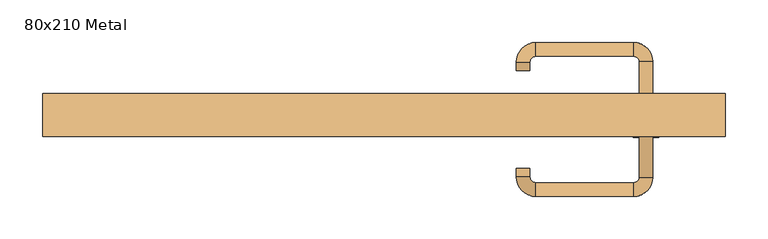
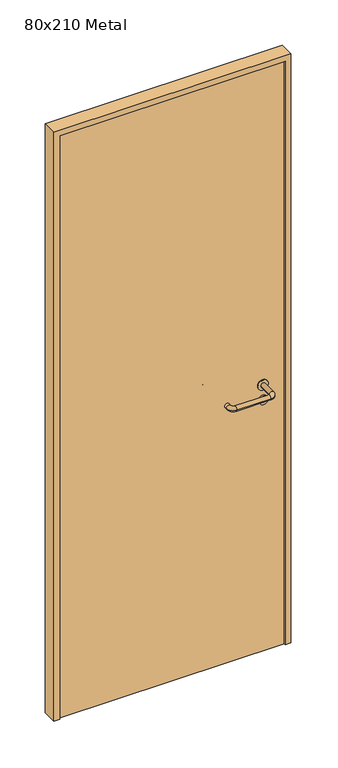
"""IFC4 building model written with IfcOpenShell, lengths in millimetres: door geometry, 80x210 Metal."""

from ifc_helpers import new_model, si_unit, point, frame, frame_2d, origin, origin_with_axes, place, context, project, spatial, polyline, circle_curve, ellipse_curve, trimmed, segment, composite_curve, outline, extrude, source, transform, mapped, element, save
from ifc_brep_helpers import plane_surface, cylinder_surface, revolved_surface, advanced_brep


def door_80x210_metal_20063681(model_context):
    return source(origin(), model_context, "Body", "SolidModel", [
        extrude(outline(composite_curve([segment(trimmed(circle_curve(frame_2d((897.3605726, 307.0)), 15.0), [point((897.3605726, 322.0))], [point((897.3605726, 292.0))], False, "CARTESIAN"), True, "CONTINUOUS"), segment(trimmed(circle_curve(frame_2d((897.3605726, 307.0)), 15.0), [point((897.3605726, 292.0))], [point((897.3605726, 322.0))], False, "CARTESIAN"), True, "CONTINUOUS")], self_intersect=False), holes=[composite_curve([segment(trimmed(circle_curve(frame_2d((892.5833211, 306.9398032)), 2.0), [point((892.5833211, 308.9398032))], [point((892.5833211, 304.9398032))], True, "CARTESIAN"), True, "CONTINUOUS"), segment(polyline([(892.5833211, 304.9398032), (902.5833211, 304.9398032)]), True, "CONTINUOUS"), segment(trimmed(circle_curve(frame_2d((902.5833211, 306.9398032)), 2.0), [point((902.5833211, 304.9398032))], [point((902.5833211, 308.9398032))], True, "CARTESIAN"), True, "CONTINUOUS"), segment(polyline([(902.5833211, 308.9398032), (892.5833211, 308.9398032)]), True, "CONTINUOUS")], self_intersect=False)]), frame((0.0, 5.0, 0.0), z_axis=(0.0, 1.0, 0.0), x_axis=(0.0, 0.0, 1.0)), (0.0, 0.0, 1.0), 6.35),
        extrude(outline(composite_curve([segment(trimmed(circle_curve(frame_2d((950.0, 307.0)), 17.526), [point((950.0, 324.526))], [point((950.0, 289.474))], False, "CARTESIAN"), True, "CONTINUOUS"), segment(trimmed(circle_curve(frame_2d((950.0, 307.0)), 17.526), [point((950.0, 289.474))], [point((950.0, 324.526))], False, "CARTESIAN"), True, "CONTINUOUS")], self_intersect=False)), frame((0.0, 5.0, 0.0), z_axis=(0.0, 1.0, 0.0), x_axis=(0.0, 0.0, 1.0)), (0.0, 0.0, 1.0), 3.175),
        advanced_brep(
        [(315.0, 5.0, 950.0), (299.0, 5.0, 950.0), (315.0, 58.0, 950.0), (299.0, 58.0, 950.0), (292.8578644, 64.1421356, 950.0), (292.8578644, 80.1421356, 950.0), (177.8578644, 80.1421356, 950.0), (177.8578644, 64.1421356, 950.0), (171.008622, 57.2928932, 950.0), (155.008622, 57.2928932, 950.0), (155.008622, 47.2928932, 950.0), (171.008622, 47.2928932, 950.0)],
        [
            (0, 1, circle_curve(frame((307.0, 5.0, 950.0), z_axis=(0.0, -1.0, 0.0), x_axis=(-1.0, 0.0, 0.0)), 8.0)),
            (1, 0, circle_curve(frame((307.0, 5.0, 950.0), z_axis=(0.0, -1.0, 0.0), x_axis=(-1.0, 0.0, 0.0)), 8.0)),
            (0, 2),
            (2, 3, circle_curve(frame((307.0, 58.0, 950.0), z_axis=(0.0, -1.0, 0.0), x_axis=(-1.0, 0.0, 0.0)), 8.0)),
            (3, 1),
            (3, 2, circle_curve(frame((307.0, 58.0, 950.0), z_axis=(0.0, -1.0, 0.0), x_axis=(-1.0, 0.0, 0.0)), 8.0)),
            (4, 3, circle_curve(frame((292.8578644, 58.0, 950.0), z_axis=(0.0, 0.0, -1.0), x_axis=(1.0, 0.0, 0.0)), 6.1421356)),
            (2, 5, circle_curve(frame((292.8578644, 58.0, 950.0), z_axis=(0.0, 0.0, 1.0), x_axis=(1.0, 0.0, 0.0)), 22.1421356)),
            (5, 4, circle_curve(frame((292.8578644, 72.1421356, 950.0), z_axis=(1.0, 0.0, 0.0), x_axis=(0.0, -1.0, 0.0)), 8.0)),
            (4, 5, circle_curve(frame((292.8578644, 72.1421356, 950.0), z_axis=(1.0, 0.0, 0.0), x_axis=(0.0, -1.0, 0.0)), 8.0)),
            (5, 6),
            (6, 7, circle_curve(frame((177.8578644, 72.1421356, 950.0), z_axis=(1.0, 0.0, 0.0), x_axis=(0.0, -1.0, 0.0)), 8.0)),
            (7, 4),
            (7, 6, circle_curve(frame((177.8578644, 72.1421356, 950.0), z_axis=(1.0, 0.0, 0.0), x_axis=(0.0, -1.0, 0.0)), 8.0)),
            (8, 7, circle_curve(frame((177.8578644, 57.2928932, 950.0), z_axis=(0.0, 0.0, -1.0), x_axis=(0.0, 1.0, 0.0)), 6.8492424)),
            (6, 9, circle_curve(frame((177.8578644, 57.2928932, 950.0), z_axis=(0.0, 0.0, 1.0), x_axis=(0.0, 1.0, 0.0)), 22.8492424)),
            (9, 8, circle_curve(frame((163.008622, 57.2928932, 950.0), z_axis=(0.0, 1.0, 0.0), x_axis=(1.0, 0.0, 0.0)), 8.0)),
            (8, 9, circle_curve(frame((163.008622, 57.2928932, 950.0), z_axis=(0.0, 1.0, 0.0), x_axis=(1.0, 0.0, 0.0)), 8.0)),
            (10, 11, circle_curve(frame((163.008622, 47.2928932, 950.0), z_axis=(0.0, -1.0, 0.0), x_axis=(1.0, 0.0, 0.0)), 8.0)),
            (11, 10, circle_curve(frame((163.008622, 47.2928932, 950.0), z_axis=(0.0, -1.0, 0.0), x_axis=(1.0, 0.0, 0.0)), 8.0)),
            (9, 10),
            (11, 8),
        ],
        [
            plane_surface(frame((307.0, 5.0, 0.0), z_axis=(0.0, -1.0, 0.0), x_axis=(0.0, 0.0, 1.0))),
            cylinder_surface(frame((307.0, 5.0, 950.0), z_axis=(0.0, -1.0, 0.0), x_axis=(-1.0, 0.0, 0.0)), 8.0),
            revolved_surface(trimmed(ellipse_curve(frame((307.0, 58.0, 950.0), z_axis=(0.0, -1.0, 0.0), x_axis=(-1.0, 0.0, 0.0)), 8.0, 8.0), [point((315.0, 58.0, 950.0))], [point((299.0, 58.0, 950.0))], True, "CARTESIAN"), (292.8578644, 58.0, 0.0), (0.0, 0.0, 1.0)),
            revolved_surface(trimmed(ellipse_curve(frame((307.0, 58.0, 950.0), z_axis=(0.0, -1.0, 0.0), x_axis=(-1.0, 0.0, 0.0)), 8.0, 8.0), [point((299.0, 58.0, 950.0))], [point((315.0, 58.0, 950.0))], True, "CARTESIAN"), (292.8578644, 58.0, 0.0), (0.0, 0.0, 1.0)),
            cylinder_surface(frame((292.8578644, 72.1421356, 950.0), z_axis=(1.0, 0.0, 0.0), x_axis=(0.0, -1.0, 0.0)), 8.0),
            revolved_surface(trimmed(ellipse_curve(frame((177.8578644, 72.1421356, 950.0), z_axis=(1.0, 0.0, 0.0), x_axis=(0.0, -1.0, 0.0)), 8.0, 8.0), [point((177.8578644, 80.1421356, 950.0))], [point((177.8578644, 64.1421356, 950.0))], True, "CARTESIAN"), (177.8578644, 57.2928932, 0.0), (0.0, 0.0, 1.0)),
            revolved_surface(trimmed(ellipse_curve(frame((177.8578644, 72.1421356, 950.0), z_axis=(1.0, 0.0, 0.0), x_axis=(0.0, -1.0, 0.0)), 8.0, 8.0), [point((177.8578644, 64.1421356, 950.0))], [point((177.8578644, 80.1421356, 950.0))], True, "CARTESIAN"), (177.8578644, 57.2928932, 0.0), (0.0, 0.0, 1.0)),
            plane_surface(frame((163.008622, 47.2928932, 0.0), z_axis=(0.0, -1.0, 0.0), x_axis=(0.0, 0.0, 1.0))),
            cylinder_surface(frame((163.008622, 57.2928932, 950.0), z_axis=(0.0, 1.0, 0.0), x_axis=(1.0, 0.0, 0.0)), 8.0),
        ],
        [
            (0, [[1, 2]]),
            (1, [[-1, 3, 4, 5]]),
            (1, [[-2, -5, 6, -3]]),
            (2, [[7, -4, 8, 9]]),
            (3, [[-8, -6, -7, 10]]),
            (4, [[-9, 11, 12, 13]]),
            (4, [[-10, -13, 14, -11]]),
            (5, [[15, -12, 16, 17]]),
            (6, [[-16, -14, -15, 18]]),
            (7, [[19, 20]]),
            (8, [[-17, 21, -20, 22]]),
            (8, [[-18, -22, -19, -21]]),
        ],
    ),
        extrude(outline(composite_curve([segment(trimmed(circle_curve(frame_2d((0.0, 15.0)), 15.0), [point((0.0, 30.0))], [point((0.0, 0.0))], False, "CARTESIAN"), True, "CONTINUOUS"), segment(trimmed(circle_curve(frame_2d((0.0, 15.0)), 15.0), [point((0.0, 0.0))], [point((0.0, 30.0))], False, "CARTESIAN"), True, "CONTINUOUS")], self_intersect=False), holes=[composite_curve([segment(trimmed(circle_curve(frame_2d((-4.7772515, 14.9398032)), 2.0), [point((-4.7772515, 16.9398032))], [point((-4.7772515, 12.9398032))], True, "CARTESIAN"), True, "CONTINUOUS"), segment(polyline([(-4.7772515, 12.9398032), (5.2227485, 12.9398032)]), True, "CONTINUOUS"), segment(trimmed(circle_curve(frame_2d((5.2227485, 14.9398032)), 2.0), [point((5.2227485, 12.9398032))], [point((5.2227485, 16.9398032))], True, "CARTESIAN"), True, "CONTINUOUS"), segment(polyline([(5.2227485, 16.9398032), (-4.7772515, 16.9398032)]), True, "CONTINUOUS")], self_intersect=False)]), frame((292.0, -31.35, 897.3605726), z_axis=(-1.8870575173328306e-12, 1.0, 0.0), x_axis=(0.0, 0.0, 1.0)), (0.0, 0.0, 1.0), 6.35),
        extrude(outline(composite_curve([segment(trimmed(circle_curve(frame_2d((0.0, 17.526)), 17.526), [point((0.0, 35.052))], [point((0.0, 0.0))], False, "CARTESIAN"), True, "CONTINUOUS"), segment(trimmed(circle_curve(frame_2d((0.0, 17.526)), 17.526), [point((0.0, 0.0))], [point((0.0, 35.052))], False, "CARTESIAN"), True, "CONTINUOUS")], self_intersect=False)), frame((289.474, -28.175, 950.0), z_axis=(-1.8870575173328306e-12, 1.0, 0.0), x_axis=(0.0, 0.0, 1.0)), (0.0, 0.0, 1.0), 3.175),
        advanced_brep(
        [(315.0, -25.0, 950.0), (299.0, -25.0, 950.0), (299.0, -78.0, 950.0), (315.0, -78.0, 950.0), (292.8578644, -84.1421356, 950.0), (292.8578644, -100.1421356, 950.0), (177.8578644, -84.1421356, 950.0), (177.8578644, -100.1421356, 950.0), (171.008622, -77.2928932, 950.0), (155.008622, -77.2928932, 950.0), (155.008622, -67.2928932, 950.0), (171.008622, -67.2928932, 950.0)],
        [
            (0, 1, circle_curve(frame((307.0, -25.0, 950.0), z_axis=(-1.888672253512351e-12, 1.0, 0.0), x_axis=(-1.0, -1.888672253512351e-12, 0.0)), 8.0)),
            (1, 0, circle_curve(frame((307.0, -25.0, 950.0), z_axis=(-1.888672253512351e-12, 1.0, 0.0), x_axis=(-1.0, -1.888672253512351e-12, 0.0)), 8.0)),
            (1, 2),
            (2, 3, circle_curve(frame((307.0, -78.0, 950.0), z_axis=(-1.888672253512351e-12, 1.0, 0.0), x_axis=(-1.0, -1.888672253512351e-12, 0.0)), 8.0)),
            (3, 0),
            (3, 2, circle_curve(frame((307.0, -78.0, 950.0), z_axis=(-1.888672253512351e-12, 1.0, 0.0), x_axis=(-1.0, -1.888672253512351e-12, 0.0)), 8.0)),
            (4, 5, circle_curve(frame((292.8578644, -92.1421356, 950.0), z_axis=(1.0, 1.913702061528922e-12, 0.0), x_axis=(-1.913702061528922e-12, 1.0, 0.0)), 8.0)),
            (5, 3, circle_curve(frame((292.8578644, -78.0, 950.0), z_axis=(0.0, 0.0, 1.0), x_axis=(1.0, 1.880717803715015e-12, 0.0)), 22.1421356)),
            (2, 4, circle_curve(frame((292.8578644, -78.0, 950.0), z_axis=(0.0, 0.0, -1.0), x_axis=(1.0, 1.880717803715015e-12, 0.0)), 6.1421356)),
            (5, 4, circle_curve(frame((292.8578644, -92.1421356, 950.0), z_axis=(1.0, 1.913702061528922e-12, 0.0), x_axis=(-1.913702061528922e-12, 1.0, 0.0)), 8.0)),
            (4, 6),
            (6, 7, circle_curve(frame((177.8578644, -92.1421356, 950.0), z_axis=(1.0, 1.913719828541269e-12, 0.0), x_axis=(-1.913719828541269e-12, 1.0, 0.0)), 8.0)),
            (7, 5),
            (7, 6, circle_curve(frame((177.8578644, -92.1421356, 950.0), z_axis=(1.0, 1.913719828541269e-12, 0.0), x_axis=(-1.913719828541269e-12, 1.0, 0.0)), 8.0)),
            (8, 9, circle_curve(frame((163.008622, -77.2928932, 950.0), z_axis=(1.8888942981172756e-12, -1.0, 0.0), x_axis=(1.0, 1.8888942981172756e-12, 0.0)), 8.0)),
            (9, 7, circle_curve(frame((177.8578644, -77.2928932, 950.0), z_axis=(0.0, 0.0, 1.0), x_axis=(1.9120873253494017e-12, -1.0, 0.0)), 22.8492424)),
            (6, 8, circle_curve(frame((177.8578644, -77.2928932, 950.0), z_axis=(0.0, 0.0, -1.0), x_axis=(1.9120873253494017e-12, -1.0, 0.0)), 6.8492424)),
            (9, 8, circle_curve(frame((163.008622, -77.2928932, 950.0), z_axis=(1.890448610351751e-12, -1.0, 0.0), x_axis=(1.0, 1.890448610351751e-12, 0.0)), 8.0)),
            (10, 11, circle_curve(frame((163.008622, -67.2928932, 950.0), z_axis=(-1.8903642334018795e-12, 1.0, 0.0), x_axis=(1.0, 1.8903642334018795e-12, 0.0)), 8.0)),
            (11, 10, circle_curve(frame((163.008622, -67.2928932, 950.0), z_axis=(-1.8903642334018795e-12, 1.0, 0.0), x_axis=(1.0, 1.8903642334018795e-12, 0.0)), 8.0)),
            (8, 11),
            (10, 9),
        ],
        [
            plane_surface(frame((307.0, -25.0, 0.0), z_axis=(-1.8870575173328306e-12, 1.0, 0.0), x_axis=(0.0, 0.0, 1.0))),
            cylinder_surface(frame((307.0, -25.0, 950.0), z_axis=(-1.888672253512351e-12, 1.0, 0.0), x_axis=(-1.0, -1.888672253512351e-12, 0.0)), 8.0),
            revolved_surface(trimmed(ellipse_curve(frame((307.0, -78.0, 950.0), z_axis=(1.8823325398945356e-12, -1.0, 0.0), x_axis=(-1.0, -1.8823325398945356e-12, 0.0)), 8.0, 8.0), [point((315.0, -78.0, 950.0))], [point((299.0, -78.0, 950.0))], True, "CARTESIAN"), (292.8578644, -78.0, 0.0), (0.0, 0.0, 1.0)),
            revolved_surface(trimmed(ellipse_curve(frame((307.0, -78.0, 950.0), z_axis=(1.8823325398945356e-12, -1.0, 0.0), x_axis=(-1.0, -1.8823325398945356e-12, 0.0)), 8.0, 8.0), [point((299.0, -78.0, 950.0))], [point((315.0, -78.0, 950.0))], True, "CARTESIAN"), (292.8578644, -78.0, 0.0), (0.0, 0.0, 1.0)),
            cylinder_surface(frame((292.8578644, -92.1421356, 950.0), z_axis=(1.0, 1.913719828541269e-12, 0.0), x_axis=(-1.913719828541269e-12, 1.0, 0.0)), 8.0),
            revolved_surface(trimmed(ellipse_curve(frame((177.8578644, -92.1421356, 950.0), z_axis=(-1.0, -1.913702061528922e-12, 0.0), x_axis=(-1.913702061528922e-12, 1.0, 0.0)), 8.0, 8.0), [point((177.8578644, -100.1421356, 950.0))], [point((177.8578644, -84.1421356, 950.0))], True, "CARTESIAN"), (177.8578644, -77.2928932, 0.0), (0.0, 0.0, 1.0)),
            revolved_surface(trimmed(ellipse_curve(frame((177.8578644, -92.1421356, 950.0), z_axis=(-1.0, -1.913702061528922e-12, 0.0), x_axis=(-1.913702061528922e-12, 1.0, 0.0)), 8.0, 8.0), [point((177.8578644, -84.1421356, 950.0))], [point((177.8578644, -100.1421356, 950.0))], True, "CARTESIAN"), (177.8578644, -77.2928932, 0.0), (0.0, 0.0, 1.0)),
            plane_surface(frame((163.008622, -67.2928932, 0.0), z_axis=(-1.8887494972223595e-12, 1.0, 0.0), x_axis=(0.0, 0.0, 1.0))),
            cylinder_surface(frame((163.008622, -77.2928932, 950.0), z_axis=(1.8903642334018795e-12, -1.0, 0.0), x_axis=(1.0, 1.8903642334018795e-12, 0.0)), 8.0),
        ],
        [
            (0, [[1, 2]]),
            (1, [[3, 4, 5, -2]]),
            (1, [[-5, 6, -3, -1]]),
            (2, [[7, 8, -4, 9]]),
            (3, [[10, -9, -6, -8]]),
            (4, [[11, 12, 13, -7]]),
            (4, [[-13, 14, -11, -10]]),
            (5, [[15, 16, -12, 17]]),
            (6, [[18, -17, -14, -16]]),
            (7, [[19, 20]]),
            (8, [[21, -19, 22, -15]]),
            (8, [[-22, -20, -21, -18]]),
        ],
    ),
        extrude(outline(polyline([(2080.0, 380.0), (0.0, 380.0), (0.0, 400.0), (2100.0, 400.0), (2100.0, -400.0), (0.0, -400.0), (0.0, -380.0), (2080.0, -380.0), (2080.0, 380.0)])), frame((0.0, -30.0, 0.0), z_axis=(0.0, 1.0, 0.0), x_axis=(0.0, 0.0, 1.0)), (0.0, 0.0, 1.0), 50.0),
        extrude(outline(polyline([(-380.0, -25.0), (-380.0, 5.0), (380.0, 5.0), (380.0, -25.0), (-380.0, -25.0)])), origin_with_axes(), (0.0, 0.0, 1.0), 2080.0),
    ])


if __name__ == "__main__":
    model = new_model("IFC4")
    model_context = context("Model", 3, world=origin())
    ifc_project = project(units=[si_unit("LENGTHUNIT", "METRE", prefix="MILLI")], contexts=[model_context])
    site = spatial("IfcSite", under=ifc_project)
    building = spatial("IfcBuilding", under=site)
    placement = place(None, origin())
    door_80x210_metal_shape = door_80x210_metal_20063681(model_context)
    element("IfcDoor", 1, ObjectType="80x210 Metal", at=placement, inside=building, context=model_context, shape_type="MappedRepresentation", body=[
        mapped(door_80x210_metal_shape, transform((0.0, 0.0, 0.0), x_axis=(1.0, 0.0, 0.0), y_axis=(0.0, 1.0, 0.0), z_axis=(0.0, 0.0, 1.0))),
    ])
    save(model, "model.ifc")
